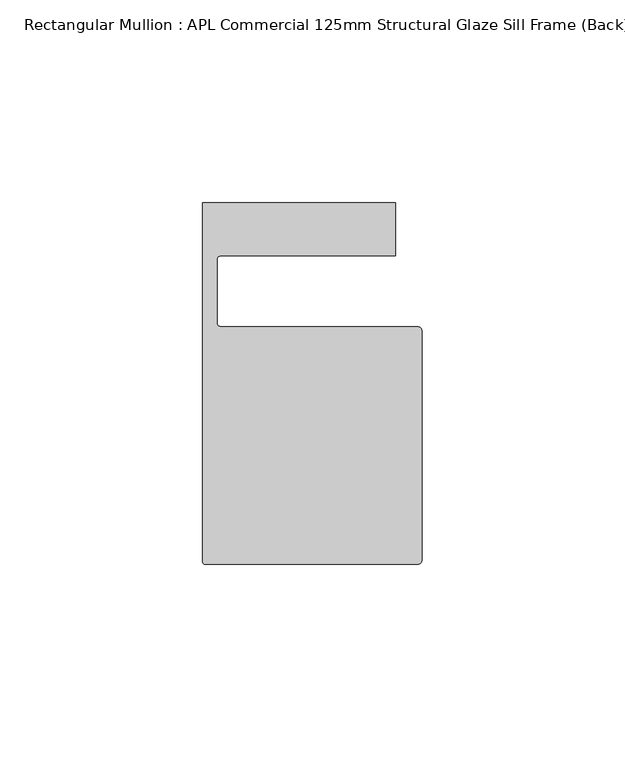
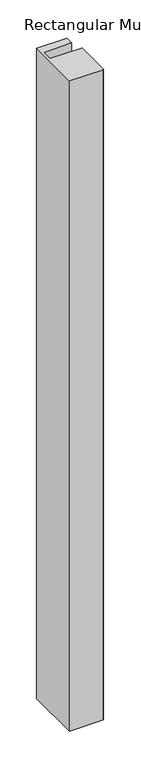
"""IFC4 building model written with IfcOpenShell, lengths in millimetres: member geometry, Rectangular Mullion : APL Commercial 125mm Structural Glaze Sill Frame (Back)."""

from ifc_helpers import new_model, si_unit, frame, origin, place, context, project, spatial, polyline, circle_curve, source, transform, mapped, element, save
from ifc_brep_helpers import plane_surface, cylinder_surface, revolved_surface, advanced_brep


def rectangular_mullion_apl_commercial_125mm_structural_glaze_2d65d610(model_context):
    return source(origin(), model_context, "Body", "AdvancedBrep", [
        advanced_brep(
        [(-53.5000029, -104.0, 0.0), (-1.0000025, -104.0, 0.0), (-2.5e-06, -103.0, 0.0), (0.0, -46.5010268, 0.0), (-1.0, -45.5010268, 0.0), (-49.5000004, -45.5010268, 0.0), (-50.5000004, -44.5010268, 0.0), (-50.5000029, -29.0004332, 0.0), (-49.5000029, -28.0004332, 0.0), (-6.5000029, -28.0004332, 0.0), (-6.5000029, -15.0004332, 0.0), (-54.0000029, -15.0004332, 0.0), (-54.0000029, -103.5, 0.0), (-53.5000029, -104.0, -1076.7654614), (-54.0000029, -103.5, -1076.7654614), (-54.0000029, -15.0004332, -1076.7654614), (-6.5000029, -15.0004332, -1076.7654614), (-6.5000029, -28.0004332, -1076.7654614), (-49.5000029, -28.0004332, -1076.7654614), (-50.5000029, -29.0004332, -1076.7654614), (-50.5000029, -44.5010268, -1076.7654614), (-49.5000004, -45.5010268, -1076.7654614), (-1.0, -45.5010268, -1076.7654614), (0.0, -46.5010268, -1076.7654614), (0.0, -103.0, -1076.7654614), (-1.0000025, -104.0, -1076.7654614)],
        [
            (0, 1),
            (1, 2, circle_curve(frame((-1.0000025, -103.0, 0.0), z_axis=(0.0, 0.0, 1.0), x_axis=(0.9999999999996143, -8.78371761103865e-07, 0.0)), 1.0)),
            (2, 3),
            (3, 4, circle_curve(frame((-1.0, -46.5010268, 0.0), z_axis=(0.0, 0.0, 1.0), x_axis=(0.0, 1.0, 0.0)), 1.0)),
            (4, 5),
            (5, 6, circle_curve(frame((-49.5000004, -44.5010268, 0.0), z_axis=(0.0, 0.0, -1.0), x_axis=(-0.9999999999998819, -4.863123717036027e-07, 0.0)), 1.0)),
            (6, 7),
            (7, 8, circle_curve(frame((-49.5000029, -29.0004332, 0.0), z_axis=(0.0, 0.0, -1.0), x_axis=(0.0, 1.0, 0.0)), 1.0)),
            (8, 9),
            (9, 10),
            (10, 11),
            (11, 12),
            (12, 0, circle_curve(frame((-53.5000029, -103.5, 0.0), z_axis=(0.0, 0.0, 1.0), x_axis=(0.0, -1.0, 0.0)), 0.5)),
            (13, 14, circle_curve(frame((-53.5000029, -103.5, -1076.7654614), z_axis=(0.0, 0.0, -1.0), x_axis=(0.0, -1.0, 0.0)), 0.5)),
            (14, 15),
            (15, 16),
            (16, 17),
            (17, 18),
            (18, 19, circle_curve(frame((-49.5000029, -29.0004332, -1076.7654614), z_axis=(0.0, 0.0, 1.0), x_axis=(0.0, 1.0, 0.0)), 1.0)),
            (19, 20),
            (20, 21, circle_curve(frame((-49.5000004, -44.5010268, -1076.7654614), z_axis=(0.0, 0.0, 1.0), x_axis=(-0.9999999999998819, -4.863123717036027e-07, 0.0)), 1.0)),
            (21, 22),
            (22, 23, circle_curve(frame((-1.0, -46.5010268, -1076.7654614), z_axis=(0.0, 0.0, -1.0), x_axis=(0.0, 1.0, 0.0)), 1.0)),
            (23, 24),
            (24, 25, circle_curve(frame((-1.0000025, -103.0, -1076.7654614), z_axis=(0.0, 0.0, -1.0), x_axis=(0.9999999999996143, -8.78371761103865e-07, 0.0)), 1.0)),
            (25, 13),
            (0, 13),
            (25, 1),
            (24, 2),
            (23, 3),
            (22, 4),
            (21, 5),
            (20, 6),
            (19, 7),
            (18, 8),
            (17, 9),
            (16, 10),
            (15, 11),
            (14, 12),
        ],
        [
            plane_surface(frame((0.0, -116.986179, 0.0), z_axis=(0.0, 0.0, 1.0), x_axis=(-1.0, 0.0, 0.0))),
            plane_surface(frame((0.0, -116.986179, -1076.7654614), z_axis=(0.0, 0.0, -1.0), x_axis=(-1.0, 0.0, 0.0))),
            plane_surface(frame((-53.5000029, -104.0, 0.0), z_axis=(0.0, -1.0, 0.0), x_axis=(0.0, 0.0, -1.0))),
            cylinder_surface(frame((-1.0000025, -103.0, 0.0), z_axis=(0.0, 0.0, 1.0000000000000002), x_axis=(0.9999999999996143, -8.78371761103865e-07, 0.0)), 1.0),
            plane_surface(frame((0.0, -103.0, 0.0), z_axis=(1.0, 0.0, 0.0), x_axis=(0.0, 0.0, -1.0))),
            cylinder_surface(frame((-1.0, -46.5010268, 0.0), z_axis=(0.0, 0.0, 1.0), x_axis=(0.0, 1.0, 0.0)), 1.0),
            plane_surface(frame((-1.0, -45.5010268, 0.0), z_axis=(0.0, 1.0, 0.0), x_axis=(0.0, 0.0, -1.0))),
            revolved_surface(polyline([(-50.50000039999988, -44.50102728631237, -1076.7654614000005), (-50.50000039999988, -44.50102728631237, 0.0)]), (-49.5000004, -44.5010268, 0.0), (0.0, 0.0, -1.0000000000000002)),
            plane_surface(frame((-50.5000029, -44.5010268, 0.0), z_axis=(1.0, 0.0, 0.0), x_axis=(0.0, 0.0, -1.0))),
            revolved_surface(polyline([(-49.5000029, -28.0004332, -1076.7654614), (-49.5000029, -28.0004332, 0.0)]), (-49.5000029, -29.0004332, 0.0), (0.0, 0.0, -1.0)),
            plane_surface(frame((-49.5000029, -28.0004332, 0.0), z_axis=(0.0, -1.0, 0.0), x_axis=(0.0, 0.0, -1.0))),
            plane_surface(frame((-6.5000029, -28.0004332, 0.0), z_axis=(1.0, 0.0, 0.0), x_axis=(0.0, 0.0, -1.0))),
            plane_surface(frame((-6.5000029, -15.0004332, 0.0), z_axis=(0.0, 1.0, 0.0), x_axis=(0.0, 0.0, -1.0))),
            plane_surface(frame((-54.0000029, -15.0004332, 0.0), z_axis=(-1.0, 0.0, 0.0), x_axis=(0.0, 0.0, -1.0))),
            cylinder_surface(frame((-53.5000029, -103.5, 0.0), z_axis=(0.0, 0.0, 1.0), x_axis=(0.0, -1.0, 0.0)), 0.5),
        ],
        [
            (0, [[1, 2, 3, 4, 5, 6, 7, 8, 9, 10, 11, 12, 13]]),
            (1, [[14, 15, 16, 17, 18, 19, 20, 21, 22, 23, 24, 25, 26]]),
            (2, [[-1, 27, -26, 28]]),
            (3, [[-2, -28, -25, 29]]),
            (4, [[-3, -29, -24, 30]]),
            (5, [[-4, -30, -23, 31]]),
            (6, [[-5, -31, -22, 32]]),
            (7, [[-6, -32, -21, 33]]),
            (8, [[-7, -33, -20, 34]]),
            (9, [[-8, -34, -19, 35]]),
            (10, [[-9, -35, -18, 36]]),
            (11, [[-10, -36, -17, 37]]),
            (12, [[-11, -37, -16, 38]]),
            (13, [[-12, -38, -15, 39]]),
            (14, [[-13, -39, -14, -27]]),
        ],
    ),
    ])


if __name__ == "__main__":
    model = new_model("IFC4")
    model_context = context("Model", 3, world=origin())
    ifc_project = project(units=[si_unit("LENGTHUNIT", "METRE", prefix="MILLI")], contexts=[model_context])
    site = spatial("IfcSite", under=ifc_project)
    building = spatial("IfcBuilding", under=site)
    placement = place(None, origin())
    rectangular_mullion_apl_commercial_125mm_structural_glaze_shape = rectangular_mullion_apl_commercial_125mm_structural_glaze_2d65d610(model_context)
    element("IfcMember", 1, ObjectType="Rectangular Mullion : APL Commercial 125mm Structural Glaze Sill Frame (Back)", at=placement, inside=building, context=model_context, shape_type="MappedRepresentation", body=[
        mapped(rectangular_mullion_apl_commercial_125mm_structural_glaze_shape, transform((0.0, 0.0, 0.0), x_axis=(1.0, 0.0, 0.0), y_axis=(0.0, 1.0, 0.0), z_axis=(0.0, 0.0, 1.0))),
    ])
    save(model, "model.ifc")
